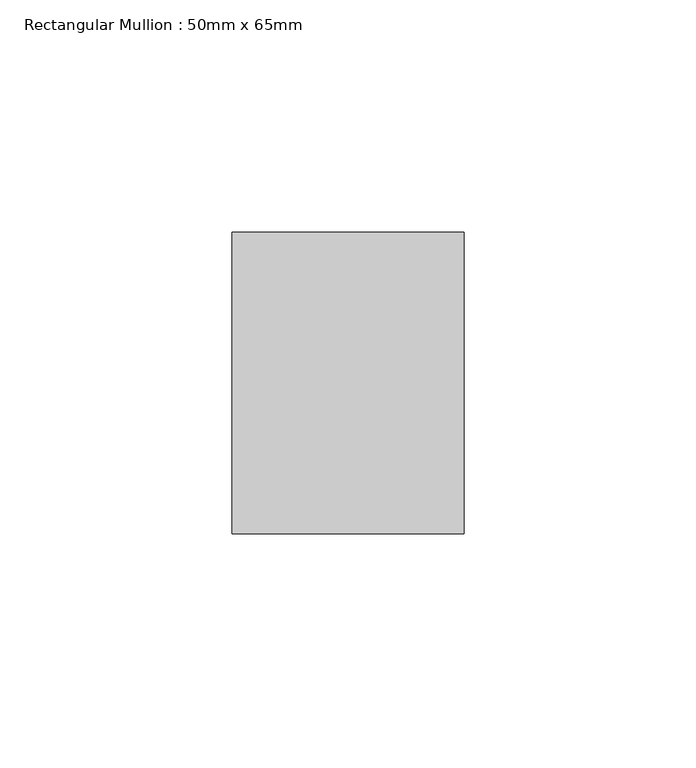
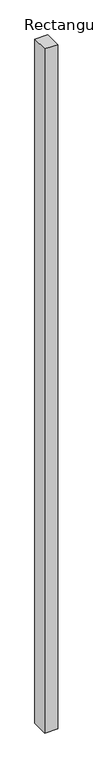
"""IFC4 building model written with IfcOpenShell, lengths in millimetres: member geometry, Rectangular Mullion : 50mm x 65mm."""

from ifc_helpers import new_model, si_unit, frame, origin, place, context, project, spatial, polyline, outline, extrude, source, transform, mapped, element, save


def rectangular_mullion_50mm_x_65mm_19d203ad(model_context):
    return source(origin(), model_context, "Body", "SweptSolid", [
        extrude(outline(polyline([(25.0, 32.5), (25.0, -32.5), (-25.0, -32.5), (-25.0, 32.5), (25.0, 32.5)])), frame((0.0, 0.0, -2773.89131), z_axis=(0.0, 0.0, 1.0), x_axis=(1.0, 0.0, 0.0)), (0.0, 0.0, 1.0), 2773.89131),
    ])


if __name__ == "__main__":
    model = new_model("IFC4")
    model_context = context("Model", 3, world=origin())
    ifc_project = project(units=[si_unit("LENGTHUNIT", "METRE", prefix="MILLI")], contexts=[model_context])
    site = spatial("IfcSite", under=ifc_project)
    building = spatial("IfcBuilding", under=site)
    placement = place(None, origin())
    rectangular_mullion_50mm_x_65mm_shape = rectangular_mullion_50mm_x_65mm_19d203ad(model_context)
    element("IfcMember", 1, ObjectType="Rectangular Mullion : 50mm x 65mm", at=placement, inside=building, context=model_context, shape_type="MappedRepresentation", body=[
        mapped(rectangular_mullion_50mm_x_65mm_shape, transform((0.0, 0.0, 0.0), x_axis=(1.0, 0.0, 0.0), y_axis=(0.0, 1.0, 0.0), z_axis=(0.0, 0.0, 1.0))),
    ])
    save(model, "model.ifc")
